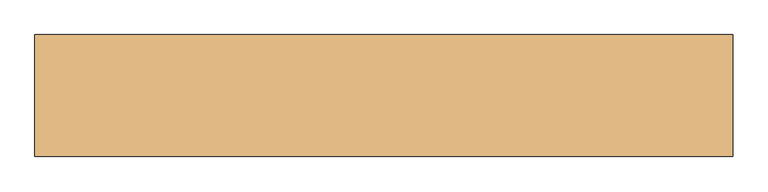
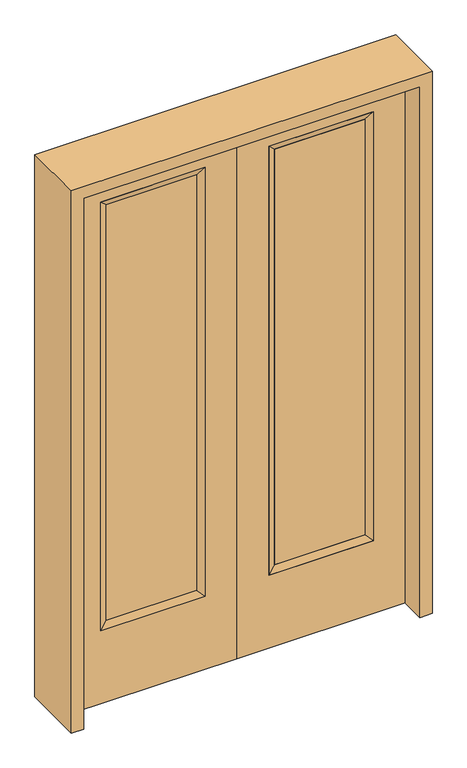
"""IFC4 building model written with IfcOpenShell, lengths in millimetres: door geometry."""

from ifc_helpers import new_model, si_unit, frame, origin, place, context, project, spatial, polyline, outline, extrude, faceted_brep, source, transform, mapped, element, save


def door_8bb5d7d2(model_context):
    return source(origin(), model_context, "Body", "SolidModel", [
        extrude(outline(polyline([(140.8176, -12.7039749), (140.8176, 14.2875), (468.7824, 14.2875), (468.7824, -12.7039749), (140.8176, -12.7039749)])), frame((0.0, 0.0, 304.8), z_axis=(0.0, 0.0, 1.0), x_axis=(1.0, 0.0, 0.0)), (0.0, 0.0, 1.0), 1591.1576),
        faceted_brep([(140.8176, 14.2875, 1895.9576), (140.8176, 14.2875, 304.8), (115.4176, 22.225, 279.4), (115.4176, 22.225, 1921.3576), (115.4176, -22.225, 279.4), (115.4176, -22.225, 1921.3576), (468.7824, 14.2875, 304.8), (494.1824, 22.225, 279.4), (140.8176, -12.7039749, 1895.9576), (140.8176, -12.7039749, 304.8), (468.7824, -12.7039749, 304.8), (494.1824, -22.225, 279.4), (468.7824, 14.2875, 1895.9576), (494.1824, 22.225, 1921.3576), (468.7824, -12.7039749, 1895.9576), (494.1824, -22.225, 1921.3576)], [[[0, 1, 2, 3]], [[3, 2, 4, 5]], [[1, 6, 7, 2]], [[8, 9, 1, 0]], [[9, 10, 6, 1]], [[5, 4, 9, 8]], [[4, 11, 10, 9]], [[2, 7, 11, 4]], [[6, 12, 13, 7]], [[10, 14, 12, 6]], [[11, 15, 14, 10]], [[7, 13, 15, 11]], [[12, 0, 3, 13]], [[14, 8, 0, 12]], [[15, 5, 8, 14]], [[13, 3, 5, 15]]]),
        extrude(outline(polyline([(0.0, 609.6), (2032.0, 609.6), (2032.0, 0.0), (0.0, 0.0), (0.0, 609.6)]), holes=[polyline([(279.4, 494.1824), (279.4, 115.4176), (1921.3576, 115.4176), (1921.3576, 494.1824), (279.4, 494.1824)])]), frame((0.0, -22.225, 0.0), z_axis=(0.0, 1.0, 0.0), x_axis=(0.0, 0.0, 1.0)), (0.0, 0.0, 1.0), 44.45),
        extrude(outline(polyline([(-140.8176, -12.7039749), (-468.7824, -12.7039749), (-468.7824, 14.2875), (-140.8176, 14.2875), (-140.8176, -12.7039749)])), frame((0.0, 0.0, 304.8), z_axis=(0.0, 0.0, 1.0), x_axis=(1.0, 0.0, 0.0)), (0.0, 0.0, 1.0), 1591.1576),
        faceted_brep([(-140.8176, 14.2875, 1895.9576), (-115.4176, 22.225, 1921.3576), (-115.4176, 22.225, 279.4), (-140.8176, 14.2875, 304.8), (-115.4176, -22.225, 1921.3576), (-115.4176, -22.225, 279.4), (-494.1824, 22.225, 279.4), (-468.7824, 14.2875, 304.8), (-140.8176, -12.7039749, 1895.9576), (-140.8176, -12.7039749, 304.8), (-468.7824, -12.7039749, 304.8), (-494.1824, -22.225, 279.4), (-494.1824, 22.225, 1921.3576), (-468.7824, 14.2875, 1895.9576), (-468.7824, -12.7039749, 1895.9576), (-494.1824, -22.225, 1921.3576)], [[[0, 1, 2, 3]], [[1, 4, 5, 2]], [[3, 2, 6, 7]], [[8, 0, 3, 9]], [[9, 3, 7, 10]], [[4, 8, 9, 5]], [[5, 9, 10, 11]], [[2, 5, 11, 6]], [[7, 6, 12, 13]], [[10, 7, 13, 14]], [[11, 10, 14, 15]], [[6, 11, 15, 12]], [[13, 12, 1, 0]], [[14, 13, 0, 8]], [[15, 14, 8, 4]], [[12, 15, 4, 1]]]),
        extrude(outline(polyline([(0.0, -609.6), (0.0, 0.0), (2032.0, 0.0), (2032.0, -609.6), (0.0, -609.6)]), holes=[polyline([(279.4, -494.1824), (1921.3576, -494.1824), (1921.3576, -115.4176), (279.4, -115.4176), (279.4, -494.1824)])]), frame((0.0, -22.225, 0.0), z_axis=(0.0, 1.0, 0.0), x_axis=(0.0, 0.0, 1.0)), (0.0, 0.0, 1.0), 44.45),
        extrude(outline(polyline([(0.0, -654.05), (0.0, -609.6), (2032.0, -609.6), (2032.0, 609.6), (0.0, 609.6), (0.0, 654.05), (2076.45, 654.05), (2076.45, -654.05), (0.0, -654.05)])), frame((0.0, -114.3, 0.0), z_axis=(0.0, 1.0, 0.0), x_axis=(0.0, 0.0, 1.0)), (0.0, 0.0, 1.0), 228.6),
    ])


if __name__ == "__main__":
    model = new_model("IFC4")
    model_context = context("Model", 3, world=origin())
    ifc_project = project(units=[si_unit("LENGTHUNIT", "METRE", prefix="MILLI")], contexts=[model_context])
    site = spatial("IfcSite", under=ifc_project)
    building = spatial("IfcBuilding", under=site)
    placement = place(None, origin())
    door_shape = door_8bb5d7d2(model_context)
    element("IfcDoor", 1, at=placement, inside=building, context=model_context, shape_type="MappedRepresentation", body=[
        mapped(door_shape, transform((0.0, 0.0, 0.0), x_axis=(1.0, 0.0, 0.0), y_axis=(0.0, 1.0, 0.0), z_axis=(0.0, 0.0, 1.0))),
    ])
    save(model, "model.ifc")
